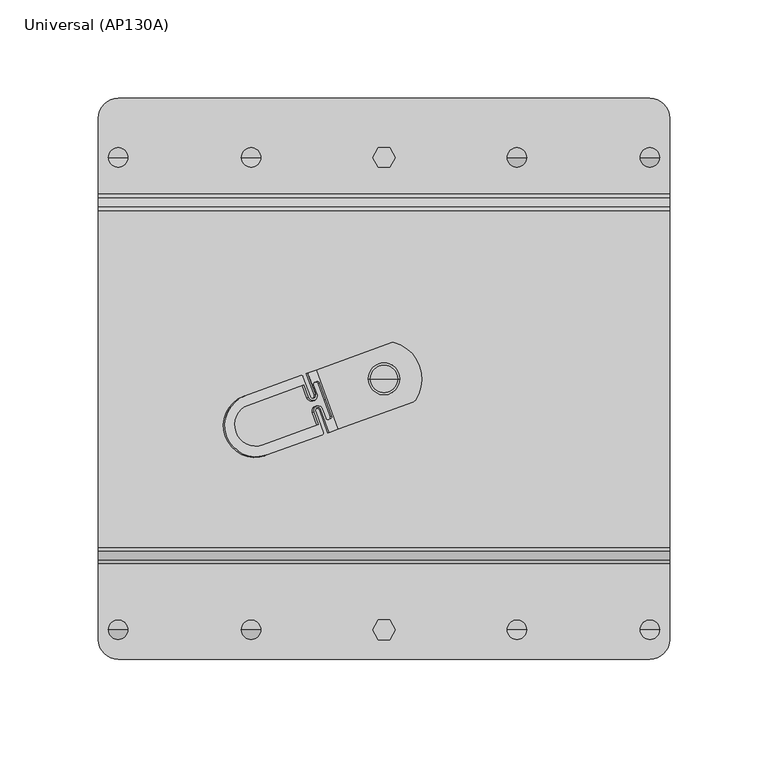
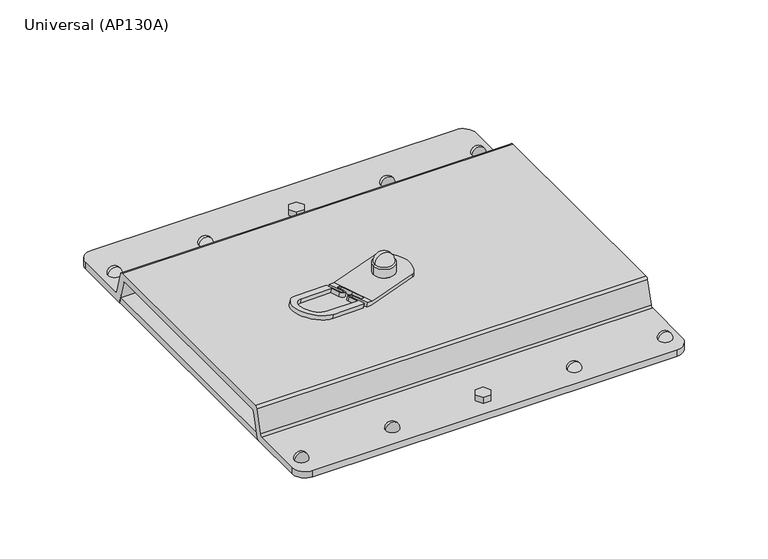
"""IFC4 building model written with IfcOpenShell, lengths in millimetres: proxy geometry, Universal (AP130A)."""

from ifc_helpers import new_model, si_unit, point, frame, frame_2d, origin, origin_with_axes, place, context, project, spatial, polyline, circle_curve, ellipse_curve, trimmed, segment, composite_curve, outline, extrude, source, transform, mapped, element, save
from ifc_brep_helpers import plane_surface, cylinder_surface, revolved_surface, advanced_brep


def universal_ap130a_153e78f4(model_context):
    return source(origin(), model_context, "Body", "SolidModel", [
        advanced_brep(
        [(145.0, -82.198019, 0.0), (145.0, -80.2661674, 1.4823619), (145.0, -75.7015789, 18.5176381), (145.0, -73.7697272, 20.0), (145.0, 89.7697272, 20.0), (145.0, 91.7015789, 18.5176381), (145.0, 96.2661674, 1.4823619), (145.0, 98.198019, 0.0), (145.0, 140.5, 0.0), (145.0, 140.5, 5.0), (145.0, 102.034654, 5.0), (145.0, 100.1028023, 6.4823619), (145.0, 95.5382138, 23.5176381), (145.0, 93.6063622, 25.0), (145.0, -77.6063622, 25.0), (145.0, -79.5382138, 23.5176381), (145.0, -84.1028023, 6.4823619), (145.0, -86.034654, 5.0), (145.0, -124.5, 5.0), (145.0, -124.5, 0.0), (-145.0, -86.034654, 5.0), (-145.0, -84.1028023, 6.4823619), (-145.0, -79.5382138, 23.5176381), (-145.0, -77.6063622, 25.0), (-145.0, 93.6063622, 25.0), (-145.0, 95.5382138, 23.5176381), (-145.0, 100.1028023, 6.4823619), (-145.0, 102.034654, 5.0), (-145.0, 140.5, 5.0), (-145.0, 140.5, 0.0), (-145.0, 98.198019, 0.0), (-145.0, 96.2661674, 1.4823619), (-145.0, 91.7015789, 18.5176381), (-145.0, 89.7697272, 20.0), (-145.0, -73.7697272, 20.0), (-145.0, -75.7015789, 18.5176381), (-145.0, -80.2661674, 1.4823619), (-145.0, -82.198019, 0.0), (-145.0, -124.5, 0.0), (-145.0, -124.5, 5.0), (-135.0, -134.5, 5.0), (135.0, -134.5, 5.0), (-135.0, -134.5, 0.0), (135.0, -134.5, 0.0), (-135.0, 150.5, 0.0), (135.0, 150.5, 0.0), (-135.0, 150.5, 5.0), (135.0, 150.5, 5.0)],
        [
            (0, 1, circle_curve(frame((145.0, -82.198019, 2.0), z_axis=(1.0, 0.0, 0.0), x_axis=(0.0, 1.0, 0.0)), 2.0)),
            (1, 2),
            (2, 3, circle_curve(frame((145.0, -73.7697272, 18.0), z_axis=(-1.0, 0.0, 0.0), x_axis=(0.0, 1.0, 0.0)), 2.0)),
            (3, 4),
            (4, 5, circle_curve(frame((145.0, 89.7697272, 18.0), z_axis=(-1.0, 0.0, 0.0), x_axis=(0.0, 1.0, 0.0)), 2.0)),
            (5, 6),
            (6, 7, circle_curve(frame((145.0, 98.198019, 2.0), z_axis=(1.0, 0.0, 0.0), x_axis=(0.0, 1.0, 0.0)), 2.0)),
            (7, 8),
            (8, 9),
            (9, 10),
            (10, 11, circle_curve(frame((145.0, 102.034654, 7.0), z_axis=(-1.0, 0.0, 0.0), x_axis=(0.0, 1.0, 0.0)), 2.0)),
            (11, 12),
            (12, 13, circle_curve(frame((145.0, 93.6063622, 23.0), z_axis=(1.0, 0.0, 0.0), x_axis=(0.0, 1.0, 0.0)), 2.0)),
            (13, 14),
            (14, 15, circle_curve(frame((145.0, -77.6063622, 23.0), z_axis=(1.0, 0.0, 0.0), x_axis=(0.0, 1.0, 0.0)), 2.0)),
            (15, 16),
            (16, 17, circle_curve(frame((145.0, -86.034654, 7.0), z_axis=(-1.0, 0.0, 0.0), x_axis=(0.0, 1.0, 0.0)), 2.0)),
            (17, 18),
            (18, 19),
            (19, 0),
            (20, 21, circle_curve(frame((-145.0, -86.034654, 7.0), z_axis=(1.0, 0.0, 0.0), x_axis=(0.0, 1.0, 0.0)), 2.0)),
            (21, 22),
            (22, 23, circle_curve(frame((-145.0, -77.6063622, 23.0), z_axis=(-1.0, 0.0, 0.0), x_axis=(0.0, 1.0, 0.0)), 2.0)),
            (23, 24),
            (24, 25, circle_curve(frame((-145.0, 93.6063622, 23.0), z_axis=(-1.0, 0.0, 0.0), x_axis=(0.0, 1.0, 0.0)), 2.0)),
            (25, 26),
            (26, 27, circle_curve(frame((-145.0, 102.034654, 7.0), z_axis=(1.0, 0.0, 0.0), x_axis=(0.0, 1.0, 0.0)), 2.0)),
            (27, 28),
            (28, 29),
            (29, 30),
            (30, 31, circle_curve(frame((-145.0, 98.198019, 2.0), z_axis=(-1.0, 0.0, 0.0), x_axis=(0.0, 1.0, 0.0)), 2.0)),
            (31, 32),
            (32, 33, circle_curve(frame((-145.0, 89.7697272, 18.0), z_axis=(1.0, 0.0, 0.0), x_axis=(0.0, 1.0, 0.0)), 2.0)),
            (33, 34),
            (34, 35, circle_curve(frame((-145.0, -73.7697272, 18.0), z_axis=(1.0, 0.0, 0.0), x_axis=(0.0, 1.0, 0.0)), 2.0)),
            (35, 36),
            (36, 37, circle_curve(frame((-145.0, -82.198019, 2.0), z_axis=(-1.0, 0.0, 0.0), x_axis=(0.0, 1.0, 0.0)), 2.0)),
            (37, 38),
            (38, 39),
            (39, 20),
            (17, 20),
            (39, 40, circle_curve(frame((-135.0, -124.5, 5.0), z_axis=(0.0, 0.0, 1.0), x_axis=(1.0, 0.0, 0.0)), 10.0)),
            (40, 41),
            (41, 18, circle_curve(frame((135.0, -124.5, 5.0), z_axis=(0.0, 0.0, 1.0), x_axis=(1.0, 0.0, 0.0)), 10.0)),
            (40, 42),
            (42, 43),
            (43, 41),
            (37, 0),
            (19, 43, circle_curve(frame((135.0, -124.5, 0.0), z_axis=(0.0, 0.0, -1.0), x_axis=(1.0, 0.0, 0.0)), 10.0)),
            (42, 38, circle_curve(frame((-135.0, -124.5, 0.0), z_axis=(0.0, 0.0, -1.0), x_axis=(1.0, 0.0, 0.0)), 10.0)),
            (36, 1),
            (35, 2),
            (34, 3),
            (33, 4),
            (32, 5),
            (31, 6),
            (30, 7),
            (29, 44, circle_curve(frame((-135.0, 140.5, 0.0), z_axis=(0.0, 0.0, -1.0), x_axis=(1.0, 0.0, 0.0)), 10.0)),
            (44, 45),
            (45, 8, circle_curve(frame((135.0, 140.5, 0.0), z_axis=(0.0, 0.0, -1.0), x_axis=(1.0, 0.0, 0.0)), 10.0)),
            (44, 46),
            (46, 47),
            (47, 45),
            (27, 10),
            (9, 47, circle_curve(frame((135.0, 140.5, 5.0), z_axis=(0.0, 0.0, 1.0), x_axis=(1.0, 0.0, 0.0)), 10.0)),
            (46, 28, circle_curve(frame((-135.0, 140.5, 5.0), z_axis=(0.0, 0.0, 1.0), x_axis=(1.0, 0.0, 0.0)), 10.0)),
            (26, 11),
            (25, 12),
            (24, 13),
            (23, 14),
            (22, 15),
            (21, 16),
        ],
        [
            plane_surface(frame((145.0, -134.5, 5.0), z_axis=(1.0, 0.0, 0.0), x_axis=(0.0, -1.0, 0.0))),
            plane_surface(frame((-145.0, -134.5, 5.0), z_axis=(-1.0, 0.0, 0.0), x_axis=(0.0, 1.0, 0.0))),
            plane_surface(frame((145.0, -86.034654, 5.0), z_axis=(0.0, 0.0, 1.0), x_axis=(-1.0, 0.0, 0.0))),
            plane_surface(frame((145.0, -134.5, 5.0), z_axis=(0.0, -1.0, 0.0), x_axis=(-1.0, 0.0, 0.0))),
            plane_surface(frame((145.0, -134.5, 0.0), z_axis=(0.0, 0.0, -1.0), x_axis=(-1.0, 0.0, 0.0))),
            cylinder_surface(frame((-145.0, -82.198019, 2.0), z_axis=(1.0, 0.0, 0.0), x_axis=(0.0, 1.0, 0.0)), 2.0),
            plane_surface(frame((145.0, -80.2661674, 1.4823619), z_axis=(0.0, 0.9659258262890748, -0.2588190451024967), x_axis=(-1.0, 0.0, 0.0))),
            revolved_surface(polyline([(-145.0, -71.7697272, 18.0), (145.0, -71.7697272, 18.0)]), (-145.0, -73.7697272, 18.0), (-1.0, 0.0, 0.0)),
            plane_surface(frame((145.0, -73.7697272, 20.0), z_axis=(0.0, 0.0, -1.0), x_axis=(-1.0, 0.0, 0.0))),
            revolved_surface(polyline([(-145.0, 91.7697272, 18.0), (145.0, 91.7697272, 18.0)]), (-145.0, 89.7697272, 18.0), (-1.0, 0.0, 0.0)),
            plane_surface(frame((145.0, 91.7015789, 18.5176381), z_axis=(0.0, -0.9659258262891268, -0.2588190451023024), x_axis=(-1.0, 0.0, 0.0))),
            cylinder_surface(frame((-145.0, 98.198019, 2.0), z_axis=(1.0, 0.0, 0.0), x_axis=(0.0, 1.0, 0.0)), 2.0),
            plane_surface(frame((145.0, 98.198019, 0.0), z_axis=(0.0, 0.0, -1.0), x_axis=(-1.0, 0.0, 0.0))),
            plane_surface(frame((145.0, 150.5, 0.0), z_axis=(0.0, 1.0, 0.0), x_axis=(-1.0, 0.0, 0.0))),
            plane_surface(frame((145.0, 150.5, 5.0), z_axis=(0.0, 0.0, 1.0), x_axis=(-1.0, 0.0, 0.0))),
            revolved_surface(polyline([(-145.0, 104.034654, 7.0), (145.0, 104.034654, 7.0)]), (-145.0, 102.034654, 7.0), (-1.0, 0.0, 0.0)),
            plane_surface(frame((145.0, 100.1028023, 6.4823619), z_axis=(0.0, 0.96592582628907, 0.2588190451025149), x_axis=(-1.0, 0.0, 0.0))),
            cylinder_surface(frame((-145.0, 93.6063622, 23.0), z_axis=(1.0, 0.0, 0.0), x_axis=(0.0, 1.0, 0.0)), 2.0),
            plane_surface(frame((145.0, 93.6063622, 25.0), z_axis=(0.0, 0.0, 1.0), x_axis=(-1.0, 0.0, 0.0))),
            cylinder_surface(frame((-145.0, -77.6063622, 23.0), z_axis=(1.0, 0.0, 0.0), x_axis=(0.0, 1.0, 0.0)), 2.0),
            plane_surface(frame((145.0, -79.5382138, 23.5176381), z_axis=(0.0, -0.9659258262890676, 0.25881904510252335), x_axis=(-1.0, 0.0, 0.0))),
            revolved_surface(polyline([(-145.0, -84.034654, 7.0), (145.0, -84.034654, 7.0)]), (-145.0, -86.034654, 7.0), (-1.0, 0.0, 0.0)),
            cylinder_surface(frame((-135.0, 140.5, 5.0), z_axis=(0.0, 0.0, 1.0), x_axis=(1.0, 0.0, 0.0)), 10.0),
            cylinder_surface(frame((135.0, 140.5, 5.0), z_axis=(0.0, 0.0, 1.0), x_axis=(1.0, 0.0, 0.0)), 10.0),
            cylinder_surface(frame((-135.0, -124.5, 5.0), z_axis=(0.0, 0.0, 1.0), x_axis=(1.0, 0.0, 0.0)), 10.0),
            cylinder_surface(frame((135.0, -124.5, 5.0), z_axis=(0.0, 0.0, 1.0), x_axis=(1.0, 0.0, 0.0)), 10.0),
        ],
        [
            (0, [[1, 2, 3, 4, 5, 6, 7, 8, 9, 10, 11, 12, 13, 14, 15, 16, 17, 18, 19, 20]]),
            (1, [[21, 22, 23, 24, 25, 26, 27, 28, 29, 30, 31, 32, 33, 34, 35, 36, 37, 38, 39, 40]]),
            (2, [[41, -40, 42, 43, 44, -18]]),
            (3, [[-43, 45, 46, 47]]),
            (4, [[48, -20, 49, -46, 50, -38]]),
            (5, [[-1, -48, -37, 51]]),
            (6, [[-2, -51, -36, 52]]),
            (7, [[-3, -52, -35, 53]]),
            (8, [[-4, -53, -34, 54]]),
            (9, [[-5, -54, -33, 55]]),
            (10, [[-6, -55, -32, 56]]),
            (11, [[-7, -56, -31, 57]]),
            (12, [[-57, -30, 58, 59, 60, -8]]),
            (13, [[-59, 61, 62, 63]]),
            (14, [[64, -10, 65, -62, 66, -28]]),
            (15, [[-11, -64, -27, 67]]),
            (16, [[-12, -67, -26, 68]]),
            (17, [[-13, -68, -25, 69]]),
            (18, [[-14, -69, -24, 70]]),
            (19, [[-15, -70, -23, 71]]),
            (20, [[-16, -71, -22, 72]]),
            (21, [[-17, -72, -21, -41]]),
            (22, [[-29, -66, -61, -58]]),
            (23, [[-9, -60, -63, -65]]),
            (24, [[-39, -50, -45, -42]]),
            (25, [[-19, -44, -47, -49]]),
        ],
    ),
        advanced_brep(
        [(14.7843745, -3.6457721, 28.0), (15.7444666, -2.9051707, 28.0), (5.0526834, 26.4738022, 28.0), (3.8410114, 26.4240413, 28.0), (-34.2476637, 12.5608973, 28.0), (-23.3032816, -17.5085452, 28.0), (-8.0, 8.0, 28.0), (8.0, 8.0, 28.0), (14.7843745, -3.6457721, 25.0), (-23.3032816, -17.5085452, 25.0), (-34.2479262, 12.5616186, 25.0), (3.8410114, 26.4240413, 25.0), (5.0526834, 26.4738022, 25.0), (15.7444666, -2.9051707, 25.0), (-39.4781137, 10.6579861, 26.4806725), (-38.7708323, 10.9154154, 29.2896867), (-43.1105517, 9.3358868, 27.5090201), (-71.4845481, -0.9914034, 35.5417333), (-70.7618952, -0.7283792, 38.4117967), (-42.4015258, 9.5939511, 30.3249628), (-27.8261877, -19.1547484, 29.2896867), (-28.5334691, -19.4121778, 26.4806725), (-31.4568812, -20.4762128, 30.3249628), (-59.8172506, -30.7985431, 38.4117967), (-60.5399035, -31.0615672, 35.5417333), (-32.1659071, -20.7342771, 27.5090201), (-34.7738146, -0.0663005, 29.2896867), (-37.4968347, -1.0573988, 30.0661438), (-41.1518323, 8.9846246, 30.0661438), (-79.8123469, -21.0493186, 42.5529014), (-30.891228, -19.2061541, 30.0661438), (-34.7495197, -8.6055847, 30.0661438), (-32.0264996, -7.6144864, 29.2896867), (-32.8378152, 5.9418822, 28.2516076), (-29.7596339, -2.5153514, 28.2516076), (-26.6814526, -10.972585, 28.2516076), (-27.2471058, -12.2426437, 28.5104266), (-28.1646089, -12.5765875, 28.7720486), (-29.4143024, -11.9672609, 29.0308676), (-31.1188262, -7.2841203, 29.0308676), (-35.6571931, -8.9359507, 30.3249628), (-33.3702761, -15.2192036, 30.3249628), (-61.7306455, -25.5415339, 38.4117967), (-69.0517945, -5.4268423, 38.4117967), (-40.6914251, 4.895488, 30.3249628), (-38.4045081, -1.3877649, 30.3249628), (-33.8661412, 0.2640656, 29.0308676), (-35.570665, 4.9472062, 29.0308676), (-35.0050118, 6.2172649, 28.7720486), (-34.0875087, 6.5512087, 28.5104266), (-32.7337809, -7.8719157, 26.4806725), (-35.4581095, -8.8634902, 27.2519332), (-31.5998177, -19.4640596, 27.2519332), (-80.5419779, -21.3148826, 39.6551239), (-41.860422, 8.726719, 27.2519332), (-38.2054244, -1.3153044, 27.2519332), (-35.4810959, -0.3237299, 26.4806725), (-30.465166, -2.7721441, 25.4495407), (-33.5433473, 5.6850895, 25.4495407), (-34.7934769, 6.2942573, 25.7066276), (-35.7114209, 5.9601531, 25.9664986), (-36.2775102, 4.6899356, 26.2235856), (-34.5729864, 0.006795, 26.2235856), (-39.1135339, -1.6458292, 27.5090201), (-41.400451, 4.6374237, 27.5090201), (-69.7744474, -5.6898665, 35.5417333), (-62.4532984, -25.804558, 35.5417333), (-34.079302, -15.4772679, 27.5090201), (-36.366219, -9.1940151, 27.5090201), (-31.8256714, -7.5413909, 26.2235856), (-30.1211476, -12.2245316, 26.2235856), (-28.871018, -12.8336994, 25.9664986), (-27.9530741, -12.4995951, 25.7066276), (-27.3869847, -11.2293776, 25.4495407), (-8.0, 8.0, 34.5291044), (8.0, 8.0, 34.5291044), (-7.0, 8.0, 35.5291044), (7.0, 8.0, 35.5291044), (0.0, 8.0, 42.2894984)],
        [
            (0, 1, circle_curve(frame((14.1003342, -1.7663869, 28.0), z_axis=(0.0, 0.0, 1.0), x_axis=(-1.0, 0.0, 0.0)), 2.0)),
            (1, 2, circle_curve(frame((0.0, 8.0, 28.0), z_axis=(0.0, 0.0, 1.0), x_axis=(-1.0, 0.0, 0.0)), 19.15231)),
            (2, 3, circle_curve(frame((4.5250517, 24.5446561, 28.0), z_axis=(0.0, 0.0, 1.0), x_axis=(-1.0, 0.0, 0.0)), 2.0)),
            (3, 4),
            (4, 5),
            (5, 0),
            (6, 7, circle_curve(frame((0.0, 8.0, 28.0), z_axis=(0.0, 0.0, -1.0), x_axis=(-1.0, 0.0, 0.0)), 8.0)),
            (7, 6, circle_curve(frame((0.0, 8.0, 28.0), z_axis=(0.0, 0.0, -1.0), x_axis=(-1.0, 0.0, 0.0)), 8.0)),
            (8, 9),
            (9, 10),
            (10, 11),
            (11, 12, circle_curve(frame((4.5250517, 24.5446561, 25.0), z_axis=(0.0, 0.0, -1.0), x_axis=(-1.0, 0.0, 0.0)), 2.0)),
            (12, 13, circle_curve(frame((0.0, 8.0, 25.0), z_axis=(0.0, 0.0, -1.0), x_axis=(-1.0, 0.0, 0.0)), 19.15231)),
            (13, 8, circle_curve(frame((14.1003342, -1.7663869, 25.0), z_axis=(0.0, 0.0, -1.0), x_axis=(-1.0, 0.0, 0.0)), 2.0)),
            (1, 13),
            (12, 2),
            (0, 8),
            (11, 3),
            (10, 14),
            (14, 15),
            (15, 4),
            (16, 17),
            (17, 18),
            (18, 19),
            (19, 16),
            (5, 20),
            (20, 21),
            (21, 9),
            (22, 23),
            (23, 24),
            (24, 25),
            (25, 22),
            (15, 26),
            (26, 27, circle_curve(frame((-36.1353246, -0.5618497, 29.6779152), z_axis=(-0.2432103468017011, -0.08852132690137798, -0.9659258262890664), x_axis=(-0.9076733711903694, -0.3303660895493447, 0.25881904510252784)), 1.5)),
            (27, 28),
            (28, 19, circle_curve(frame((-42.0595057, 8.6542585, 30.3249628), z_axis=(0.2432103468017011, 0.08852132690137798, 0.9659258262890664), x_axis=(-0.9076733711903694, -0.3303660895493447, 0.25881904510252784)), 1.0)),
            (18, 29, circle_curve(frame((-65.2895729, -15.7634612, 38.4117967), z_axis=(0.2432103468017011, 0.08852132690137798, 0.9659258262890664), x_axis=(-0.9076733711903694, -0.3303660895493447, 0.25881904510252784)), 16.0)),
            (29, 23, circle_curve(frame((-65.2895729, -15.7634612, 38.4117967), z_axis=(0.2432103468017011, 0.08852132690137798, 0.9659258262890664), x_axis=(-0.9076733711903694, -0.3303660895493447, 0.25881904510252784)), 16.0)),
            (22, 30, circle_curve(frame((-31.7989014, -19.5365202, 30.3249628), z_axis=(0.2432103468017011, 0.08852132690137798, 0.9659258262890664), x_axis=(-0.9076733711903694, -0.3303660895493447, 0.25881904510252784)), 1.0)),
            (30, 31),
            (31, 32, circle_curve(frame((-33.3880097, -8.1100355, 29.6779152), z_axis=(-0.2432103468017011, -0.08852132690137798, -0.9659258262890664), x_axis=(-0.9076733711903694, -0.3303660895493447, 0.25881904510252784)), 1.5)),
            (32, 20),
            (33, 34),
            (34, 35),
            (35, 36, circle_curve(frame((-27.589126, -11.302951, 28.5104266), z_axis=(-0.2432103468017011, -0.08852132690137798, -0.9659258262890664), x_axis=(-0.9076733711903694, -0.3303660895493447, 0.25881904510252784)), 1.0)),
            (36, 37),
            (37, 38, circle_curve(frame((-28.5066291, -11.6368949, 28.7720486), z_axis=(-0.2432103468017011, -0.08852132690137798, -0.9659258262890664), x_axis=(-0.9076733711903694, -0.3303660895493447, 0.25881904510252784)), 1.0)),
            (38, 39),
            (39, 40, circle_curve(frame((-33.3880097, -8.1100355, 29.6779152), z_axis=(0.2432103468017011, 0.08852132690137798, 0.9659258262890664), x_axis=(-0.9076733711903694, -0.3303660895493447, 0.25881904510252784)), 2.5)),
            (40, 41),
            (41, 42),
            (42, 43, circle_curve(frame((-65.39122, -15.4841881, 38.4117967), z_axis=(-0.2432103468017011, -0.08852132690137798, -0.9659258262890664), x_axis=(-0.9076733711903694, -0.3303660895493447, 0.25881904510252784)), 10.7028038)),
            (43, 44),
            (44, 45),
            (45, 46, circle_curve(frame((-36.1353246, -0.5618497, 29.6779152), z_axis=(0.2432103468017011, 0.08852132690137798, 0.9659258262890664), x_axis=(-0.9076733711903694, -0.3303660895493447, 0.25881904510252784)), 2.5)),
            (46, 47),
            (47, 48, circle_curve(frame((-34.6629916, 5.2775723, 28.7720486), z_axis=(-0.2432103468017011, -0.08852132690137798, -0.9659258262890664), x_axis=(-0.9076733711903694, -0.3303660895493447, 0.25881904510252784)), 1.0)),
            (48, 49),
            (49, 33, circle_curve(frame((-33.7454886, 5.6115161, 28.5104266), z_axis=(-0.2432103468017011, -0.08852132690137798, -0.9659258262890664), x_axis=(-0.9076733711903694, -0.3303660895493447, 0.25881904510252784)), 1.0)),
            (21, 50),
            (50, 51, ellipse_curve(frame((-34.0959452, -8.367703, 26.8663028), z_axis=(0.241582287254047, 0.08792876168641896, 0.9663883957050583), x_axis=(0.9081080442571371, 0.3305242976073163, -0.25708650031977087)), 1.5000024, 1.5)),
            (51, 52),
            (52, 25, ellipse_curve(frame((-32.5079272, -19.7945845, 27.5090201), z_axis=(-0.241582287254047, -0.08792876168641896, -0.9663883957050583), x_axis=(-0.9081080442571371, -0.3305242976073163, 0.25708650031977087)), 1.0000016, 1.0)),
            (24, 53, ellipse_curve(frame((-66.0122258, -16.0264853, 35.5417333), z_axis=(-0.241582287254047, -0.08792876168641896, -0.9663883957050583), x_axis=(-0.9081080442571371, -0.3305242976073163, 0.25708650031977087)), 16.0000257, 16.0)),
            (53, 17, ellipse_curve(frame((-66.0122258, -16.0264853, 35.5417333), z_axis=(-0.241582287254047, -0.08792876168641896, -0.9663883957050583), x_axis=(-0.9081080442571371, -0.3305242976073163, 0.25708650031977087)), 16.0000257, 16.0)),
            (16, 54, ellipse_curve(frame((-42.7685315, 8.3961941, 27.5090201), z_axis=(-0.241582287254047, -0.08792876168641896, -0.9663883957050583), x_axis=(-0.9081080442571371, -0.3305242976073163, 0.25708650031977087)), 1.0000016, 1.0)),
            (54, 55),
            (55, 56, ellipse_curve(frame((-36.8432602, -0.8195171, 26.8663028), z_axis=(0.241582287254047, 0.08792876168641896, 0.9663883957050583), x_axis=(0.9081080442571371, 0.3305242976073163, -0.25708650031977087)), 1.5000024, 1.5)),
            (56, 14),
            (57, 58),
            (58, 59, ellipse_curve(frame((-34.4514568, 5.3545647, 25.7066276), z_axis=(0.241582287254047, 0.08792876168641896, 0.9663883957050583), x_axis=(0.9081080442571371, 0.3305242976073163, -0.25708650031977087)), 1.0000016, 1.0)),
            (59, 60),
            (60, 61, ellipse_curve(frame((-35.3694007, 5.0204604, 25.9664986), z_axis=(0.241582287254047, 0.08792876168641896, 0.9663883957050583), x_axis=(0.9081080442571371, 0.3305242976073163, -0.25708650031977087)), 1.0000016, 1.0)),
            (61, 62),
            (62, 63, ellipse_curve(frame((-36.8432602, -0.8195171, 26.8663028), z_axis=(-0.241582287254047, -0.08792876168641896, -0.9663883957050583), x_axis=(-0.9081080442571371, -0.3305242976073163, 0.25708650031977087)), 2.500004, 2.5)),
            (63, 64),
            (64, 65),
            (65, 66, ellipse_curve(frame((-66.1138729, -15.7472123, 35.5417333), z_axis=(0.241582287254047, 0.08792876168641896, 0.9663883957050583), x_axis=(0.9081080442571371, 0.3305242976073163, -0.25708650031977087)), 10.702821, 10.7028038)),
            (66, 67),
            (67, 68),
            (68, 69, ellipse_curve(frame((-34.0959452, -8.367703, 26.8663028), z_axis=(-0.241582287254047, -0.08792876168641896, -0.9663883957050583), x_axis=(-0.9081080442571371, -0.3305242976073163, 0.25708650031977087)), 2.500004, 2.5)),
            (69, 70),
            (70, 71, ellipse_curve(frame((-29.2130381, -11.8940067, 25.9664986), z_axis=(0.241582287254047, 0.08792876168641896, 0.9663883957050583), x_axis=(0.9081080442571371, 0.3305242976073163, -0.25708650031977087)), 1.0000016, 1.0)),
            (71, 72),
            (72, 73, ellipse_curve(frame((-28.2950942, -11.5599025, 25.7066276), z_axis=(0.241582287254047, 0.08792876168641896, 0.9663883957050583), x_axis=(0.9081080442571371, 0.3305242976073163, -0.25708650031977087)), 1.0000016, 1.0)),
            (73, 57),
            (57, 34),
            (33, 58),
            (59, 49),
            (48, 60),
            (61, 47),
            (46, 62),
            (45, 63),
            (44, 64),
            (43, 65),
            (67, 41),
            (40, 68),
            (39, 69),
            (38, 70),
            (71, 37),
            (36, 72),
            (73, 35),
            (54, 28),
            (27, 55),
            (26, 56),
            (32, 50),
            (31, 51),
            (30, 52),
            (66, 42),
            (74, 75, circle_curve(frame((0.0, 8.0, 34.5291044), z_axis=(0.0, 0.0, -1.0), x_axis=(-1.0, 0.0, 0.0)), 8.0)),
            (75, 7),
            (6, 74),
            (75, 74, circle_curve(frame((0.0, 8.0, 34.5291044), z_axis=(0.0, 0.0, -1.0), x_axis=(-1.0, 0.0, 0.0)), 8.0)),
            (74, 76, circle_curve(frame((-7.0, 8.0, 34.5291044), z_axis=(0.0, 1.0, 0.0), x_axis=(1.0, 0.0, 0.0)), 1.0)),
            (76, 77, circle_curve(frame((0.0, 8.0, 35.5291044), z_axis=(0.0, 0.0, -1.0), x_axis=(-1.0, 0.0, 0.0)), 7.0)),
            (77, 75, circle_curve(frame((7.0, 8.0, 34.5291044), z_axis=(0.0, 1.0, 0.0), x_axis=(-1.0, 0.0, 0.0)), 1.0)),
            (77, 76, circle_curve(frame((0.0, 8.0, 35.5291044), z_axis=(0.0, 0.0, -1.0), x_axis=(-1.0, 0.0, 0.0)), 7.0)),
            (76, 78, circle_curve(frame((-0.2355052, 8.0, 35.5291044), z_axis=(0.0, 1.0, 0.0), x_axis=(1.0, 0.0, 0.0)), 6.7644948)),
            (78, 77, circle_curve(frame((0.2355052, 8.0, 35.5291044), z_axis=(0.0, 1.0, 0.0), x_axis=(-1.0, 0.0, 0.0)), 6.7644948)),
        ],
        [
            plane_surface(frame((12.1003342, -1.7663869, 28.0), z_axis=(0.0, 0.0, 1.0), x_axis=(0.0, -1.0, 0.0))),
            plane_surface(frame((12.1003342, -1.7663869, 25.0), z_axis=(0.0, 0.0, -1.0), x_axis=(0.0, 1.0, 0.0))),
            cylinder_surface(frame((0.0, 8.0, 25.0), z_axis=(0.0, 0.0, 1.0), x_axis=(-1.0, 0.0, 0.0)), 19.15231),
            cylinder_surface(frame((14.1003342, -1.7663869, 25.0), z_axis=(0.0, 0.0, 1.0), x_axis=(-1.0, 0.0, 0.0)), 2.0),
            cylinder_surface(frame((4.5250517, 24.5446561, 25.0), z_axis=(0.0, 0.0, 1.0), x_axis=(-1.0, 0.0, 0.0)), 2.0),
            plane_surface(frame((-34.2479262, 12.5616186, 28.0), z_axis=(-0.34202014332566183, 0.939692620785911, 0.0), x_axis=(0.0, 0.0, -1.0))),
            plane_surface(frame((-23.3032816, -17.5085452, 28.0), z_axis=(0.34202014332566183, -0.939692620785911, 0.0), x_axis=(0.0, 0.0, 1.0))),
            plane_surface(frame((-23.3032816, -17.5085452, 28.0), z_axis=(0.24321034680170112, 0.08852132690137798, 0.9659258262890665), x_axis=(-0.3420201433256618, 0.939692620785911, 0.0))),
            plane_surface(frame((-75.0696556, -36.3499645, 39.6551239), z_axis=(-0.241582287254047, -0.08792876168641896, -0.9663883957050583), x_axis=(-0.34202014332566166, 0.9396926207859111, 0.0))),
            plane_surface(frame((-28.8097871, -2.1696354, 32.0239864), z_axis=(-0.9076733711903692, -0.33036608954934527, 0.25881904510252796), x_axis=(-0.24321034680170123, -0.08852132690137797, -0.9659258262890664))),
            plane_surface(frame((-33.1376619, 6.8969247, 32.2828054), z_axis=(0.3420201433256471, -0.9396926207859164, 0.0), x_axis=(-0.24321034680170123, -0.08852132690137797, -0.9659258262890664))),
            plane_surface(frame((-34.6208182, 5.2929222, 32.8032464), z_axis=(0.9076733711903667, 0.3303660895493522, -0.25881904510252796), x_axis=(-0.24321034680170123, -0.08852132690137797, -0.9659258262890664))),
            cylinder_surface(frame((-38.2377304, -1.3270628, 21.3280732), z_axis=(-0.2432103468017011, -0.08852132690137798, -0.9659258262890664), x_axis=(-0.9076733711903694, -0.3303660895493447, 0.25881904510252784)), 2.5),
            plane_surface(frame((-37.4546613, -1.0420489, 34.0973416), z_axis=(-0.9076733711903692, -0.3303660895493453, 0.258819045102528), x_axis=(-0.24321034680170123, -0.08852132690137797, -0.9659258262890664))),
            plane_surface(frame((-39.7415783, 5.2412039, 34.0973416), z_axis=(0.3420201433256614, -0.9396926207859113, 0.0), x_axis=(-0.24321034680170123, -0.08852132690137797, -0.9659258262890664))),
            plane_surface(frame((-32.4204293, -14.8734876, 34.0973416), z_axis=(-0.9076733711903738, -0.3303660895493328, 0.25881904510252796), x_axis=(-0.24321034680170123, -0.0885213269013778, -0.9659258262890664))),
            cylinder_surface(frame((-35.4904154, -8.8752486, 21.3280732), z_axis=(-0.2432103468017011, -0.08852132690137798, -0.9659258262890664), x_axis=(-0.9076733711903694, -0.3303660895493447, 0.25881904510252784)), 2.5),
            plane_surface(frame((-30.1689794, -6.9384043, 32.8032464), z_axis=(0.9076733711903776, 0.3303660895493221, -0.25881904510252784), x_axis=(-0.24321034680170114, -0.08852132690137778, -0.9659258262890664))),
            plane_surface(frame((-27.2147621, -12.2308715, 32.5444274), z_axis=(-0.3420201433256593, 0.939692620785912, 0.0), x_axis=(-0.2432103468017012, -0.08852132690137814, -0.9659258262890663))),
            plane_surface(frame((-25.7316058, -10.626869, 32.0239864), z_axis=(-0.9076733711903692, -0.33036608954934477, 0.258819045102528), x_axis=(-0.2432103468017012, -0.08852132690137814, -0.9659258262890663))),
            plane_surface(frame((-40.2019855, 9.3303405, 33.8385226), z_axis=(0.9076733711903712, 0.3303660895493399, -0.25881904510252796), x_axis=(-0.24321034680170123, -0.08852132690137797, -0.9659258262890664))),
            revolved_surface(polyline([(-37.49683464283709, -1.057398829247192, 30.06614382305102), (-38.20542440394458, -1.315304410596115, 27.251933163437172)]), (-36.1353246, -0.5618497, 29.6779152), (0.2432103468017011, 0.08852132690137798, 0.9659258262890664)),
            plane_surface(frame((-33.8239678, 0.2794154, 33.0620655), z_axis=(-0.9076733711903693, -0.3303660895493448, 0.25881904510252796), x_axis=(-0.24321034680170123, -0.08852132690137797, -0.9659258262890664))),
            plane_surface(frame((-26.8763409, -18.8090325, 33.0620655), z_axis=(-0.9076733711903691, -0.330366089549345, 0.258819045102528), x_axis=(-0.2432103468017012, -0.08852132690137814, -0.9659258262890663))),
            revolved_surface(polyline([(-34.74951973907489, -8.605584627877866, 30.066143837992836), (-35.45810950018239, -8.863490209226788, 27.251933178378984)]), (-33.3880097, -8.1100355, 29.6779152), (0.2432103468017011, 0.08852132690137798, 0.9659258262890664)),
            plane_surface(frame((-33.7996729, -8.2598687, 33.8385226), z_axis=(0.9076733711903725, 0.3303660895493359, -0.25881904510252796), x_axis=(-0.24321034680170123, -0.08852132690137797, -0.9659258262890664))),
            cylinder_surface(frame((-42.0595057, 8.6542585, 30.3249628), z_axis=(-0.2432103468017011, -0.08852132690137798, -0.9659258262890664), x_axis=(-0.9076733711903694, -0.3303660895493447, 0.25881904510252784)), 1.0),
            cylinder_surface(frame((-31.7989014, -19.5365202, 30.3249628), z_axis=(-0.2432103468017011, -0.08852132690137798, -0.9659258262890664), x_axis=(-0.9076733711903694, -0.3303660895493447, 0.25881904510252784)), 1.0),
            revolved_surface(polyline([(-34.65316195315972, 5.281150012164863, 28.769245693719736), (-35.359566308488425, 5.024039853469212, 25.96371451633356)]), (-35.8478943, 4.846303, 20.1605846), (0.2432103468017011, 0.08852132690137798, 0.9659258262890664)),
            revolved_surface(polyline([(-35.57066503627702, 4.947206218309661, 29.030867660770458), (-36.27751026477497, 4.689935594903319, 26.223585526708757)]), (-36.7653974, 4.5123592, 20.4222065), (0.2432103468017011, 0.08852132690137798, 0.9659258262890664)),
            revolved_surface(polyline([(-29.414302438392284, -11.967260982460232, 29.030867652369558), (-30.121147662622043, -12.224531604313079, 26.22358553525926)]), (-30.6090348, -12.402108, 20.4222065), (0.2432103468017011, 0.08852132690137798, 0.9659258262890664)),
            revolved_surface(polyline([(-28.496799353159716, -11.633317187835138, 28.769245693719736), (-29.20320370848842, -11.890427346530789, 25.96371451633356)]), (-29.6915317, -12.0681642, 20.1605846), (0.2432103468017011, 0.08852132690137798, 0.9659258262890664)),
            cylinder_surface(frame((-65.2895729, -15.7634612, 38.4117967), z_axis=(-0.2432103468017011, -0.08852132690137798, -0.9659258262890664), x_axis=(-0.9076733711903694, -0.3303660895493447, 0.25881904510252784)), 16.0),
            plane_surface(frame((-60.7807987, -25.1958179, 42.1841755), z_axis=(-0.34202014332566194, 0.9396926207859111, 0.0), x_axis=(-0.2432103468017006, -0.08852132690137816, -0.9659258262890666))),
            revolved_surface(polyline([(-75.10586997692741, -19.020031532764765, 41.18188615323749), (-75.83319074096147, -19.284754641636912, 38.29328408833602)]), (-67.4936257, -16.2494012, 30.0619546), (0.2432103468017011, 0.08852132690137798, 0.9659258262890664)),
            cylinder_surface(frame((0.0, 8.0, 50.0), z_axis=(0.0, 0.0, -1.0), x_axis=(-1.0, 0.0, 0.0)), 8.0),
            revolved_surface(trimmed(ellipse_curve(frame((-7.0, 8.0, 34.5291044), z_axis=(0.0, -1.0, 0.0), x_axis=(1.0, 0.0, 0.0)), 1.0, 1.0), [point((-7.0, 8.0, 35.5291044))], [point((-8.0, 8.0, 34.5291044))], True, "CARTESIAN"), (0.0, 8.0, 50.0), (0.0, 0.0, -1.0)),
            revolved_surface(trimmed(ellipse_curve(frame((-0.2355052, 8.0, 35.5291044), z_axis=(0.0, -1.0, 0.0), x_axis=(1.0, 0.0, 0.0)), 6.7644948, 6.7644948), [point((0.0, 8.0, 42.2894984))], [point((-7.0, 8.0, 35.5291044))], True, "CARTESIAN"), (0.0, 8.0, 50.0), (0.0, 0.0, -1.0)),
        ],
        [
            (0, [[1, 2, 3, 4, 5, 6], [7, 8]]),
            (1, [[9, 10, 11, 12, 13, 14]]),
            (2, [[-2, 15, -13, 16]]),
            (3, [[-1, 17, -14, -15]]),
            (4, [[-3, -16, -12, 18]]),
            (5, [[19, 20, 21, -4, -18, -11]]),
            (5, [[22, 23, 24, 25]]),
            (6, [[26, 27, 28, -9, -17, -6]]),
            (6, [[29, 30, 31, 32]]),
            (7, [[-21, 33, 34, 35, 36, -24, 37, 38, -29, 39, 40, 41, 42, -26, -5], [43, 44, 45, 46, 47, 48, 49, 50, 51, 52, 53, 54, 55, 56, 57, 58, 59]]),
            (8, [[-19, -10, -28, 60, 61, 62, 63, -31, 64, 65, -22, 66, 67, 68, 69], [70, 71, 72, 73, 74, 75, 76, 77, 78, 79, 80, 81, 82, 83, 84, 85, 86]]),
            (9, [[87, -43, 88, -70]]),
            (10, [[89, -58, 90, -72]]),
            (11, [[91, -56, 92, -74]]),
            (12, [[-92, -55, 93, -75]]),
            (13, [[-93, -54, 94, -76]]),
            (14, [[-94, -53, 95, -77]]),
            (15, [[96, -50, 97, -80]]),
            (16, [[-97, -49, 98, -81]]),
            (17, [[-98, -48, 99, -82]]),
            (18, [[100, -46, 101, -84]]),
            (19, [[-87, -86, 102, -44]]),
            (20, [[103, -35, 104, -67]]),
            (21, [[-104, -34, 105, -68]]),
            (22, [[-105, -33, -20, -69]]),
            (23, [[106, -60, -27, -42]]),
            (24, [[-106, -41, 107, -61]]),
            (25, [[-107, -40, 108, -62]]),
            (26, [[-103, -66, -25, -36]]),
            (27, [[-108, -39, -32, -63]]),
            (28, [[-89, -71, -88, -59]]),
            (29, [[-91, -73, -90, -57]]),
            (30, [[-100, -83, -99, -47]]),
            (31, [[-102, -85, -101, -45]]),
            (32, [[-23, -65, -64, -30, -38, -37]]),
            (33, [[-96, -79, 109, -51]]),
            (34, [[-109, -78, -95, -52]]),
            (35, [[110, 111, -7, 112]]),
            (35, [[113, -112, -8, -111]]),
            (36, [[-110, 114, 115, 116]]),
            (36, [[-113, -116, 117, -114]]),
            (37, [[-115, 118, 119]]),
            (37, [[-117, -119, -118]]),
        ],
    ),
        extrude(outline(composite_curve([segment(trimmed(circle_curve(frame_2d((135.0, 140.5)), 10.0), [point((135.0, 150.5))], [point((145.0, 140.5))], False, "CARTESIAN"), True, "CONTINUOUS"), segment(polyline([(145.0, 140.5), (145.0, -124.5)]), True, "CONTINUOUS"), segment(trimmed(circle_curve(frame_2d((135.0, -124.5)), 10.0), [point((145.0, -124.5))], [point((135.0, -134.5))], False, "CARTESIAN"), True, "CONTINUOUS"), segment(polyline([(135.0, -134.5), (-135.0, -134.5)]), True, "CONTINUOUS"), segment(trimmed(circle_curve(frame_2d((-135.0, -124.5)), 10.0), [point((-135.0, -134.5))], [point((-145.0, -124.5))], False, "CARTESIAN"), True, "CONTINUOUS"), segment(polyline([(-145.0, -124.5), (-145.0, 140.5)]), True, "CONTINUOUS"), segment(trimmed(circle_curve(frame_2d((-135.0, 140.5)), 10.0), [point((-145.0, 140.5))], [point((-135.0, 150.5))], False, "CARTESIAN"), True, "CONTINUOUS"), segment(polyline([(-135.0, 150.5), (135.0, 150.5)]), True, "CONTINUOUS")], self_intersect=False)), origin_with_axes(), (0.0, 0.0, 1.0), 5.0),
        extrude(outline(polyline([(5.7735027, 120.5), (2.8867513, 115.5), (-2.8867513, 115.5), (-5.7735027, 120.5), (-2.8867513, 125.5), (2.8867513, 125.5), (5.7735027, 120.5)])), frame((0.0, 0.0, 5.0), z_axis=(0.0, 0.0, 1.0), x_axis=(1.0, 0.0, 0.0)), (0.0, 0.0, 1.0), 5.0),
        extrude(outline(polyline([(5.7735027, -119.5), (2.8867513, -124.5), (-2.8867513, -124.5), (-5.7735027, -119.5), (-2.8867513, -114.5), (2.8867513, -114.5), (5.7735027, -119.5)])), frame((0.0, 0.0, 5.0), z_axis=(0.0, 0.0, 1.0), x_axis=(1.0, 0.0, 0.0)), (0.0, 0.0, 1.0), 5.0),
        advanced_brep(
        [(62.5001481, -119.5, 5.0), (72.4998519, -119.5, 5.0), (67.5, -119.5, 10.0384785), (67.5, -119.5, 5.0)],
        [
            (0, 1, circle_curve(frame((67.5, -119.5, 5.0), z_axis=(0.0, 0.0, 1.0), x_axis=(1.0, 0.0, 0.0)), 4.9998519)),
            (1, 2, circle_curve(frame((67.5, -119.5, 5.0384785), z_axis=(0.0, -1.0, 0.0), x_axis=(-1.0, 0.0, 0.0)), 5.0)),
            (2, 0, circle_curve(frame((67.5, -119.5, 5.0384785), z_axis=(0.0, -1.0, 0.0), x_axis=(1.0, 0.0, 0.0)), 5.0)),
            (1, 0, circle_curve(frame((67.5, -119.5, 5.0), z_axis=(0.0, 0.0, 1.0), x_axis=(1.0, 0.0, 0.0)), 4.9998519)),
            (3, 1),
            (0, 3),
        ],
        [
            revolved_surface(trimmed(ellipse_curve(frame((67.5, -119.5, 5.0384785), z_axis=(0.0, 1.0, 0.0), x_axis=(-1.0, 0.0, 0.0)), 5.0, 5.0), [point((67.5, -119.5, 10.0384785))], [point((72.4998519, -119.5, 5.0))], True, "CARTESIAN"), (67.5, -119.5, 500.0), (0.0, 0.0, -1.0)),
            plane_surface(frame((67.5, -119.5, 5.0), z_axis=(0.0, 0.0, -1.0), x_axis=(1.0, 0.0, 0.0))),
        ],
        [
            (0, [[1, 2, 3]]),
            (0, [[4, -3, -2]]),
            (1, [[5, -1, 6]]),
            (1, [[-6, -4, -5]]),
        ],
    ),
        advanced_brep(
        [(-67.5, -119.5, 10.0384785), (-72.4998519, -119.5, 5.0), (-62.5001481, -119.5, 5.0), (-67.5, -119.5, 5.0)],
        [
            (0, 1, circle_curve(frame((-67.5, -119.5, 5.0384785), z_axis=(0.0, -1.0, 0.0), x_axis=(-1.0, 0.0, 0.0)), 5.0)),
            (1, 2, circle_curve(frame((-67.5, -119.5, 5.0), z_axis=(0.0, 0.0, 1.0), x_axis=(-1.0, 0.0, 0.0)), 4.9998519)),
            (2, 0, circle_curve(frame((-67.5, -119.5, 5.0384785), z_axis=(0.0, -1.0, 0.0), x_axis=(1.0, 0.0, 0.0)), 5.0)),
            (2, 1, circle_curve(frame((-67.5, -119.5, 5.0), z_axis=(0.0, 0.0, 1.0), x_axis=(-1.0, 0.0, 0.0)), 4.9998519)),
            (1, 3),
            (3, 2),
        ],
        [
            revolved_surface(trimmed(ellipse_curve(frame((-67.5, -119.5, 5.0384785), z_axis=(0.0, 1.0, 0.0), x_axis=(-1.0, 0.0, 0.0)), 5.0, 5.0), [point((-72.4998519, -119.5, 5.0))], [point((-67.5, -119.5, 10.0384785))], True, "CARTESIAN"), (-67.5, -119.5, 500.0), (0.0, 0.0, 1.0)),
            plane_surface(frame((-67.5, -119.5, 5.0), z_axis=(0.0, 0.0, -1.0), x_axis=(-1.0, 0.0, 0.0))),
        ],
        [
            (0, [[1, 2, 3]]),
            (0, [[-3, 4, -1]]),
            (1, [[-2, 5, 6]]),
            (1, [[-4, -6, -5]]),
        ],
    ),
        advanced_brep(
        [(130.0001481, -119.5, 5.0), (139.9998519, -119.5, 5.0), (135.0, -119.5, 10.0384785), (135.0, -119.5, 5.0)],
        [
            (0, 1, circle_curve(frame((135.0, -119.5, 5.0), z_axis=(0.0, 0.0, 1.0), x_axis=(1.0, 0.0, 0.0)), 4.9998519)),
            (1, 2, circle_curve(frame((135.0, -119.5, 5.0384785), z_axis=(0.0, -1.0, 0.0), x_axis=(-1.0, 0.0, 0.0)), 5.0)),
            (2, 0, circle_curve(frame((135.0, -119.5, 5.0384785), z_axis=(0.0, -1.0, 0.0), x_axis=(1.0, 0.0, 0.0)), 5.0)),
            (1, 0, circle_curve(frame((135.0, -119.5, 5.0), z_axis=(0.0, 0.0, 1.0), x_axis=(1.0, 0.0, 0.0)), 4.9998519)),
            (3, 1),
            (0, 3),
        ],
        [
            revolved_surface(trimmed(ellipse_curve(frame((135.0, -119.5, 5.0384785), z_axis=(0.0, 1.0, 0.0), x_axis=(-1.0, 0.0, 0.0)), 5.0, 5.0), [point((135.0, -119.5, 10.0384785))], [point((139.9998519, -119.5, 5.0))], True, "CARTESIAN"), (135.0, -119.5, 0.0), (0.0, 0.0, -1.0)),
            plane_surface(frame((135.0, -119.5, 5.0), z_axis=(0.0, 0.0, -1.0), x_axis=(1.0, 0.0, 0.0))),
        ],
        [
            (0, [[1, 2, 3]]),
            (0, [[4, -3, -2]]),
            (1, [[5, -1, 6]]),
            (1, [[-6, -4, -5]]),
        ],
    ),
        advanced_brep(
        [(-135.0, -119.5, 10.0384785), (-139.9998519, -119.5, 5.0), (-130.0001481, -119.5, 5.0), (-135.0, -119.5, 5.0)],
        [
            (0, 1, circle_curve(frame((-135.0, -119.5, 5.0384785), z_axis=(0.0, -1.0, 0.0), x_axis=(-1.0, 0.0, 0.0)), 5.0)),
            (1, 2, circle_curve(frame((-135.0, -119.5, 5.0), z_axis=(0.0, 0.0, 1.0), x_axis=(-1.0, 0.0, 0.0)), 4.9998519)),
            (2, 0, circle_curve(frame((-135.0, -119.5, 5.0384785), z_axis=(0.0, -1.0, 0.0), x_axis=(1.0, 0.0, 0.0)), 5.0)),
            (2, 1, circle_curve(frame((-135.0, -119.5, 5.0), z_axis=(0.0, 0.0, 1.0), x_axis=(-1.0, 0.0, 0.0)), 4.9998519)),
            (1, 3),
            (3, 2),
        ],
        [
            revolved_surface(trimmed(ellipse_curve(frame((-135.0, -119.5, 5.0384785), z_axis=(0.0, 1.0, 0.0), x_axis=(-1.0, 0.0, 0.0)), 5.0, 5.0), [point((-139.9998519, -119.5, 5.0))], [point((-135.0, -119.5, 10.0384785))], True, "CARTESIAN"), (-135.0, -119.5, 0.0), (0.0, 0.0, 1.0)),
            plane_surface(frame((-135.0, -119.5, 5.0), z_axis=(0.0, 0.0, -1.0), x_axis=(-1.0, 0.0, 0.0))),
        ],
        [
            (0, [[1, 2, 3]]),
            (0, [[-3, 4, -1]]),
            (1, [[-2, 5, 6]]),
            (1, [[-4, -6, -5]]),
        ],
    ),
        advanced_brep(
        [(67.5, 120.5, 10.0384785), (72.4998519, 120.5, 5.0), (62.5001481, 120.5, 5.0), (67.5, 120.5, 5.0)],
        [
            (0, 1, circle_curve(frame((67.5, 120.5, 5.0384785), z_axis=(0.0, 1.0, 0.0), x_axis=(1.0, 0.0, 0.0)), 5.0)),
            (1, 2, circle_curve(frame((67.5, 120.5, 5.0), z_axis=(0.0, 0.0, 1.0), x_axis=(1.0, 0.0, 0.0)), 4.9998519)),
            (2, 0, circle_curve(frame((67.5, 120.5, 5.0384785), z_axis=(0.0, 1.0, 0.0), x_axis=(-1.0, 0.0, 0.0)), 5.0)),
            (2, 1, circle_curve(frame((67.5, 120.5, 5.0), z_axis=(0.0, 0.0, 1.0), x_axis=(1.0, 0.0, 0.0)), 4.9998519)),
            (1, 3),
            (3, 2),
        ],
        [
            revolved_surface(trimmed(ellipse_curve(frame((67.5, 120.5, 5.0384785), z_axis=(0.0, -1.0, 0.0), x_axis=(1.0, 0.0, 0.0)), 5.0, 5.0), [point((72.4998519, 120.5, 5.0))], [point((67.5, 120.5, 10.0384785))], True, "CARTESIAN"), (67.5, 120.5, 0.0), (0.0, 0.0, 1.0)),
            plane_surface(frame((67.5, 120.5, 5.0), z_axis=(0.0, 0.0, -1.0), x_axis=(1.0, 0.0, 0.0))),
        ],
        [
            (0, [[1, 2, 3]]),
            (0, [[-3, 4, -1]]),
            (1, [[-2, 5, 6]]),
            (1, [[-4, -6, -5]]),
        ],
    ),
        advanced_brep(
        [(-62.5001481, 120.5, 5.0), (-72.4998519, 120.5, 5.0), (-67.5, 120.5, 10.0384785), (-67.5, 120.5, 5.0)],
        [
            (0, 1, circle_curve(frame((-67.5, 120.5, 5.0), z_axis=(0.0, 0.0, 1.0), x_axis=(-1.0, 0.0, 0.0)), 4.9998519)),
            (1, 2, circle_curve(frame((-67.5, 120.5, 5.0384785), z_axis=(0.0, 1.0, 0.0), x_axis=(-1.0, 0.0, 0.0)), 5.0)),
            (2, 0, circle_curve(frame((-67.5, 120.5, 5.0384785), z_axis=(0.0, 1.0, 0.0), x_axis=(1.0, 0.0, 0.0)), 5.0)),
            (1, 0, circle_curve(frame((-67.5, 120.5, 5.0), z_axis=(0.0, 0.0, 1.0), x_axis=(-1.0, 0.0, 0.0)), 4.9998519)),
            (3, 1),
            (0, 3),
        ],
        [
            revolved_surface(trimmed(ellipse_curve(frame((-67.5, 120.5, 5.0384785), z_axis=(0.0, -1.0, 0.0), x_axis=(-1.0, 0.0, 0.0)), 5.0, 5.0), [point((-67.5, 120.5, 10.0384785))], [point((-72.4998519, 120.5, 5.0))], True, "CARTESIAN"), (-67.5, 120.5, 0.0), (0.0, 0.0, -1.0)),
            plane_surface(frame((-67.5, 120.5, 5.0), z_axis=(0.0, 0.0, -1.0), x_axis=(-1.0, 0.0, 0.0))),
        ],
        [
            (0, [[1, 2, 3]]),
            (0, [[4, -3, -2]]),
            (1, [[5, -1, 6]]),
            (1, [[-6, -4, -5]]),
        ],
    ),
        advanced_brep(
        [(135.0, 120.5, 10.0384785), (139.9998519, 120.5, 5.0), (130.0001481, 120.5, 5.0), (135.0, 120.5, 5.0)],
        [
            (0, 1, circle_curve(frame((135.0, 120.5, 5.0384785), z_axis=(0.0, 1.0, 0.0), x_axis=(1.0, 0.0, 0.0)), 5.0)),
            (1, 2, circle_curve(frame((135.0, 120.5, 5.0), z_axis=(0.0, 0.0, 1.0), x_axis=(1.0, 0.0, 0.0)), 4.9998519)),
            (2, 0, circle_curve(frame((135.0, 120.5, 5.0384785), z_axis=(0.0, 1.0, 0.0), x_axis=(-1.0, 0.0, 0.0)), 5.0)),
            (2, 1, circle_curve(frame((135.0, 120.5, 5.0), z_axis=(0.0, 0.0, 1.0), x_axis=(1.0, 0.0, 0.0)), 4.9998519)),
            (1, 3),
            (3, 2),
        ],
        [
            revolved_surface(trimmed(ellipse_curve(frame((135.0, 120.5, 5.0384785), z_axis=(0.0, -1.0, 0.0), x_axis=(1.0, 0.0, 0.0)), 5.0, 5.0), [point((139.9998519, 120.5, 5.0))], [point((135.0, 120.5, 10.0384785))], True, "CARTESIAN"), (135.0, 120.5, 0.0), (0.0, 0.0, 1.0)),
            plane_surface(frame((135.0, 120.5, 5.0), z_axis=(0.0, 0.0, -1.0), x_axis=(1.0, 0.0, 0.0))),
        ],
        [
            (0, [[1, 2, 3]]),
            (0, [[-3, 4, -1]]),
            (1, [[-2, 5, 6]]),
            (1, [[-4, -6, -5]]),
        ],
    ),
        advanced_brep(
        [(-130.0001481, 120.5, 5.0), (-139.9998519, 120.5, 5.0), (-135.0, 120.5, 10.0384785), (-135.0, 120.5, 5.0)],
        [
            (0, 1, circle_curve(frame((-135.0, 120.5, 5.0), z_axis=(0.0, 0.0, 1.0), x_axis=(-1.0, 0.0, 0.0)), 4.9998519)),
            (1, 2, circle_curve(frame((-135.0, 120.5, 5.0384785), z_axis=(0.0, 1.0, 0.0), x_axis=(-1.0, 0.0, 0.0)), 5.0)),
            (2, 0, circle_curve(frame((-135.0, 120.5, 5.0384785), z_axis=(0.0, 1.0, 0.0), x_axis=(1.0, 0.0, 0.0)), 5.0)),
            (1, 0, circle_curve(frame((-135.0, 120.5, 5.0), z_axis=(0.0, 0.0, 1.0), x_axis=(-1.0, 0.0, 0.0)), 4.9998519)),
            (3, 1),
            (0, 3),
        ],
        [
            revolved_surface(trimmed(ellipse_curve(frame((-135.0, 120.5, 5.0384785), z_axis=(0.0, -1.0, 0.0), x_axis=(-1.0, 0.0, 0.0)), 5.0, 5.0), [point((-135.0, 120.5, 10.0384785))], [point((-139.9998519, 120.5, 5.0))], True, "CARTESIAN"), (-135.0, 120.5, 0.0), (0.0, 0.0, -1.0)),
            plane_surface(frame((-135.0, 120.5, 5.0), z_axis=(0.0, 0.0, -1.0), x_axis=(-1.0, 0.0, 0.0))),
        ],
        [
            (0, [[1, 2, 3]]),
            (0, [[4, -3, -2]]),
            (1, [[5, -1, 6]]),
            (1, [[-6, -4, -5]]),
        ],
    ),
    ])


if __name__ == "__main__":
    model = new_model("IFC4")
    model_context = context("Model", 3, world=origin())
    ifc_project = project(units=[si_unit("LENGTHUNIT", "METRE", prefix="MILLI")], contexts=[model_context])
    site = spatial("IfcSite", under=ifc_project)
    building = spatial("IfcBuilding", under=site)
    placement = place(None, origin())
    universal_ap130a_shape = universal_ap130a_153e78f4(model_context)
    element("IfcBuildingElementProxy", 1, Name="Universal (AP130A)", ObjectType="Universal (AP130A)", at=placement, inside=building, context=model_context, shape_type="MappedRepresentation", body=[
        mapped(universal_ap130a_shape, transform((0.0, 0.0, 0.0), x_axis=(1.0, 0.0, 0.0), y_axis=(0.0, 1.0, 0.0), z_axis=(0.0, 0.0, 1.0))),
    ])
    save(model, "model.ifc")
